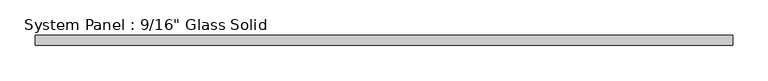
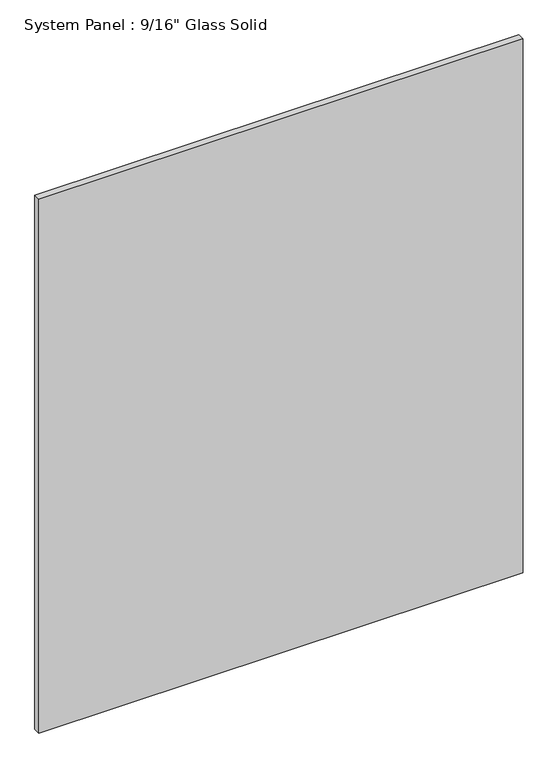
"""IFC4 building model written with IfcOpenShell, lengths in millimetres: plate geometry."""

from ifc_helpers import new_model, si_unit, origin, origin_with_axes, place, context, project, spatial, polyline, outline, extrude, source, transform, mapped, element, save


def plate_b63a822b(model_context):
    return source(origin(), model_context, "Body", "SweptSolid", [
        extrude(outline(polyline([(495.3008852, -7.14375), (-495.3008852, -7.14375), (-495.3008852, 7.14375), (495.3008852, 7.14375), (495.3008852, -7.14375)])), origin_with_axes(), (0.0, 0.0, 1.0), 1154.5441382),
    ])


if __name__ == "__main__":
    model = new_model("IFC4")
    model_context = context("Model", 3, world=origin())
    ifc_project = project(units=[si_unit("LENGTHUNIT", "METRE", prefix="MILLI")], contexts=[model_context])
    site = spatial("IfcSite", under=ifc_project)
    building = spatial("IfcBuilding", under=site)
    placement = place(None, origin())
    plate_shape = plate_b63a822b(model_context)
    element("IfcPlate", 1, ObjectType="System Panel : 9/16\" Glass Solid", at=placement, inside=building, context=model_context, shape_type="MappedRepresentation", body=[
        mapped(plate_shape, transform((0.0, 0.0, 0.0), x_axis=(1.0, 0.0, 0.0), y_axis=(0.0, 1.0, 0.0), z_axis=(0.0, 0.0, 1.0))),
    ])
    save(model, "model.ifc")
